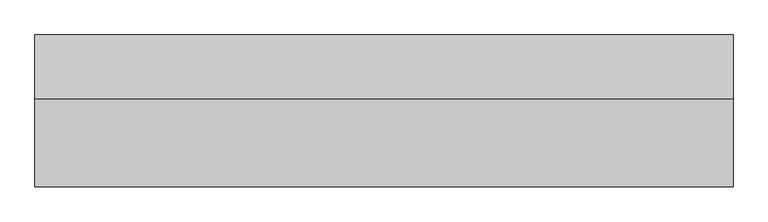
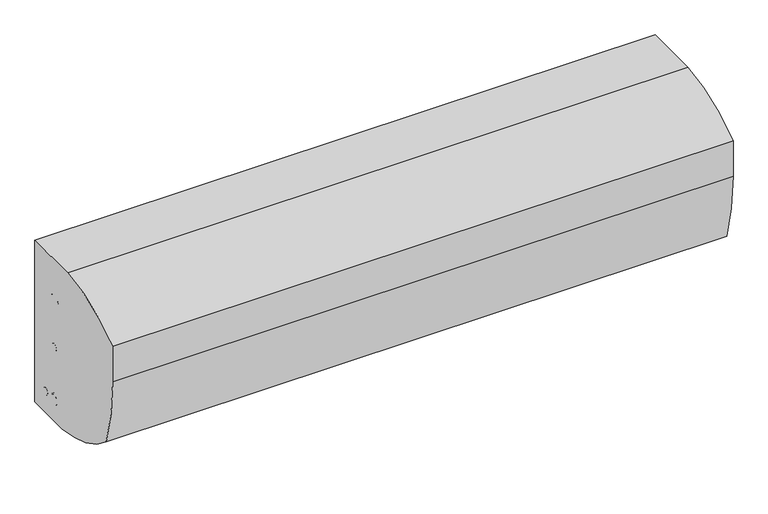
"""IFC4 building model written with IfcOpenShell, lengths in millimetres: proxy geometry."""

from ifc_helpers import new_model, si_unit, point, frame, frame_2d, origin, place, context, project, spatial, polyline, circle_curve, trimmed, segment, composite_curve, outline, extrude, source, transform, mapped, element, save


def mechanical_equipment_71f6e212(model_context):
    return source(origin(), model_context, "Body", "SweptSolid", [
        extrude(outline(composite_curve([segment(polyline([(0.0, 320.675), (0.0, 31.75), (-79.498281, 31.75)]), True, "CONTINUOUS"), segment(trimmed(circle_curve(frame_2d((-62.6450758, 252.4917495)), 221.3841694), [point((-79.498281, 31.75))], [point((-209.7261818, 87.0284643))], False, "CARTESIAN"), True, "CONTINUOUS"), segment(trimmed(circle_curve(frame_2d((157.0247406, 206.1930625)), 385.6247406), [point((-209.7261818, 87.0284643))], [point((-228.6, 206.1930625))], False, "CARTESIAN"), True, "CONTINUOUS"), segment(polyline([(-228.6, 206.1930625), (-228.6, 269.6930625)]), True, "CONTINUOUS"), segment(trimmed(circle_curve(frame_2d((-79.6391943, 80.1220449)), 241.094364), [point((-228.6, 269.6930625))], [point((-95.7875122, 320.675))], False, "CARTESIAN"), True, "CONTINUOUS"), segment(polyline([(-95.7875122, 320.675), (0.0, 320.675)]), True, "CONTINUOUS")], self_intersect=False)), frame((0.0, 0.0, 0.0), z_axis=(1.0, 0.0, 0.0), x_axis=(0.0, 1.0, 0.0)), (0.0, 0.0, 1.0), 1050.925),
        extrude(outline(composite_curve([segment(trimmed(circle_curve(frame_2d((-31.75, 69.85)), 6.35), [point((-38.1, 69.85))], [point((-25.4, 69.85))], False, "CARTESIAN"), True, "CONTINUOUS"), segment(trimmed(circle_curve(frame_2d((-31.75, 69.85)), 6.35), [point((-25.4, 69.85))], [point((-38.1, 69.85))], False, "CARTESIAN"), True, "CONTINUOUS")], self_intersect=False)), frame((0.0, 0.0, 0.0), z_axis=(1.0, 0.0, 0.0), x_axis=(0.0, 1.0, 0.0)), (0.0, 0.0, 1.0), 11.177312),
        extrude(outline(composite_curve([segment(trimmed(circle_curve(frame_2d((-57.15, 69.85)), 8.73125), [point((-65.88125, 69.85))], [point((-48.41875, 69.85))], False, "CARTESIAN"), True, "CONTINUOUS"), segment(trimmed(circle_curve(frame_2d((-57.15, 69.85)), 8.73125), [point((-48.41875, 69.85))], [point((-65.88125, 69.85))], False, "CARTESIAN"), True, "CONTINUOUS")], self_intersect=False)), frame((0.0, 0.0, 0.0), z_axis=(1.0, 0.0, 0.0), x_axis=(0.0, 1.0, 0.0)), (0.0, 0.0, 1.0), 11.177312),
        extrude(outline(composite_curve([segment(trimmed(circle_curve(frame_2d((-57.2377924, 164.1341355)), 6.35), [point((-63.5877924, 164.1341355))], [point((-50.8877924, 164.1341355))], False, "CARTESIAN"), True, "CONTINUOUS"), segment(trimmed(circle_curve(frame_2d((-57.2377924, 164.1341355)), 6.35), [point((-50.8877924, 164.1341355))], [point((-63.5877924, 164.1341355))], False, "CARTESIAN"), True, "CONTINUOUS")], self_intersect=False)), frame((0.0, 0.0, 0.0), z_axis=(1.0, 0.0, 0.0), x_axis=(0.0, 1.0, 0.0)), (0.0, 0.0, 1.0), 11.177312),
        extrude(outline(composite_curve([segment(trimmed(circle_curve(frame_2d((-57.15, 244.1572139)), 12.7), [point((-69.85, 244.1572139))], [point((-44.45, 244.1572139))], False, "CARTESIAN"), True, "CONTINUOUS"), segment(trimmed(circle_curve(frame_2d((-57.15, 244.1572139)), 12.7), [point((-44.45, 244.1572139))], [point((-69.85, 244.1572139))], False, "CARTESIAN"), True, "CONTINUOUS")], self_intersect=False)), frame((0.0, 0.0, 0.0), z_axis=(1.0, 0.0, 0.0), x_axis=(0.0, 1.0, 0.0)), (0.0, 0.0, 1.0), 11.177312),
    ])


if __name__ == "__main__":
    model = new_model("IFC4")
    model_context = context("Model", 3, world=origin())
    ifc_project = project(units=[si_unit("LENGTHUNIT", "METRE", prefix="MILLI")], contexts=[model_context])
    site = spatial("IfcSite", under=ifc_project)
    building = spatial("IfcBuilding", under=site)
    placement = place(None, origin())
    mechanical_equipment_shape = mechanical_equipment_71f6e212(model_context)
    element("IfcBuildingElementProxy", 1, Name="Mechanical Equipment", at=placement, inside=building, context=model_context, shape_type="MappedRepresentation", body=[
        mapped(mechanical_equipment_shape, transform((0.0, 0.0, 0.0), x_axis=(1.0, 0.0, 0.0), y_axis=(0.0, 1.0, 0.0), z_axis=(0.0, 0.0, 1.0))),
    ])
    save(model, "model.ifc")
